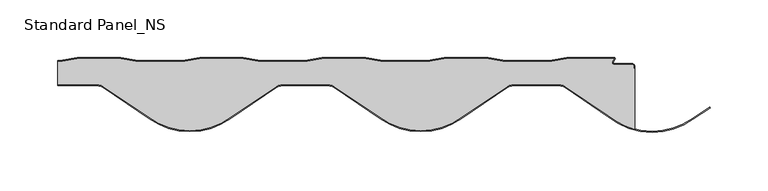
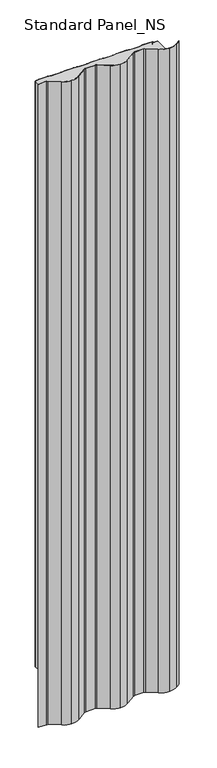
"""IFC4 building model written with IfcOpenShell, lengths in millimetres: proxy geometry, Standard Panel_NS."""

from ifc_helpers import new_model, si_unit, point, frame, frame_2d, origin, origin_with_axes, place, context, project, spatial, polyline, circle_curve, trimmed, segment, composite_curve, outline, extrude, source, transform, mapped, element, save
from ifc_brep_helpers import plane_surface, cylinder_surface, revolved_surface, advanced_brep


def standard_panel_ns_cb210c43(model_context):
    return source(origin(), model_context, "Body", "SolidModel", [
        advanced_brep(
        [(-249.4999998, -3.3, 2527.968552), (-249.4999998, -3.3, 0.0), (-249.4999998, -23.5, 0.0), (-249.4999998, -23.5, 2527.968552), (145.5323327, -23.5, 2527.968552), (184.1321475, -23.5, 2527.968552), (190.3874794, -25.4959769, 2527.968552), (227.7645919, -50.7322407, 2527.968552), (250.0000906, -62.14035, 2527.968552), (250.0000906, -9.4001722, 2527.968552), (249.2000906, -9.4001722, 2527.968552), (249.2000906, -7.4001714, 2527.968552), (247.9000913, -6.1001721, 2527.968552), (232.3140212, -6.1001721, 2527.968552), (230.804032, -3.3204106, 2527.968552), (232.4394087, -0.8, 2527.968552), (191.3313006, -0.8, 2527.968552), (176.3313006, -3.3, 2527.968552), (138.1988805, -3.3, 2527.968552), (123.1988805, -0.8, 2527.968552), (85.3313006, -0.8, 2527.968552), (70.3313006, -3.3, 2527.968552), (32.1988805, -3.3, 2527.968552), (17.1988805, -0.8, 2527.968552), (-20.6686994, -0.8, 2527.968552), (-35.6686994, -3.3, 2527.968552), (-73.8011195, -3.3, 2527.968552), (-88.8011195, -0.8, 2527.968552), (-126.6686994, -0.8, 2527.968552), (-141.6686994, -3.3, 2527.968552), (-179.8011195, -3.3, 2527.968552), (-194.8011195, -0.8, 2527.968552), (-232.6686994, -0.8, 2527.968552), (-247.6686994, -3.3, 2527.968552), (-215.8676529, -23.5, 2527.968552), (-209.608413, -25.4988938, 2527.968552), (-170.0810872, -52.1089905, 2527.968552), (-135.1677599, -63.5, 2527.968552), (-100.2544326, -52.1089905, 2527.968552), (-60.7229992, -25.4959769, 2527.968552), (-54.4676673, -23.5, 2527.968552), (-15.8676529, -23.5, 2527.968552), (-9.608413, -25.4988938, 2527.968552), (29.9189128, -52.1089905, 2527.968552), (64.8322401, -63.5, 2527.968552), (99.7455674, -52.1089905, 2527.968552), (139.2770008, -25.4959769, 2527.968552), (145.5323327, -23.5, 0.0), (139.2770008, -25.4959769, 0.0), (99.7455674, -52.1089905, 0.0), (64.8322401, -63.5, 0.0), (29.9189128, -52.1089905, 0.0), (-9.6084138, -25.4988948, 0.0), (-15.8676529, -23.5, 0.0), (-54.4676673, -23.5, 0.0), (-60.7229992, -25.4959769, 0.0), (-100.2544326, -52.1089905, 0.0), (-135.1677599, -63.5, 0.0), (-170.0810872, -52.1089905, 0.0), (-209.6084138, -25.4988948, 0.0), (-215.8676529, -23.5, 0.0), (-247.6686994, -3.3, 0.0), (-232.6686994, -0.8, 0.0), (-194.8011195, -0.8, 0.0), (-179.8011195, -3.3, 0.0), (-141.6686994, -3.3, 0.0), (-126.6686994, -0.8, 0.0), (-88.8011195, -0.8, 0.0), (-73.8011195, -3.3, 0.0), (-35.6686994, -3.3, 0.0), (-20.6686994, -0.8, 0.0), (17.1988805, -0.8, 0.0), (32.1988805, -3.3, 0.0), (70.3313006, -3.3, 0.0), (85.3313006, -0.8, 0.0), (123.1988805, -0.8, 0.0), (138.1988805, -3.3, 0.0), (176.3313006, -3.3, 0.0), (191.3313006, -0.8, 0.0), (232.4394087, -0.8, 0.0), (230.804032, -3.3204106, 0.0), (232.3140212, -6.1001721, 0.0), (247.9000913, -6.1001721, 0.0), (249.2000906, -7.4001714, 0.0), (249.2000906, -9.4001722, 0.0), (250.0000906, -9.4001722, 0.0), (250.0000906, -62.14035, 0.0), (227.7645919, -50.7322407, 0.0), (190.3874794, -25.4959769, 0.0), (184.1321475, -23.5, 0.0)],
        [
            (0, 1),
            (1, 2),
            (2, 3),
            (3, 0),
            (4, 5),
            (5, 6, circle_curve(frame((184.1321475, -34.3, 2527.968552), z_axis=(0.0, 0.0, -1.0), x_axis=(1.0, 0.0, 0.0)), 10.8)),
            (6, 7, circle_curve(frame((737.5778769, 744.6433117, 2527.968552), z_axis=(0.0, 0.0, 1.0), x_axis=(1.0, 0.0, 0.0)), 944.7390407)),
            (7, 8, circle_curve(frame((265.2973575, -4.9508962, 2527.968552), z_axis=(0.0, 0.0, 1.0), x_axis=(1.0, 0.0, 0.0)), 59.2)),
            (8, 9),
            (9, 10),
            (10, 11),
            (11, 12, circle_curve(frame((247.9000913, -7.4001714, 2527.968552), z_axis=(0.0, 0.0, 1.0), x_axis=(1.0, 0.0, 0.0)), 1.2999993)),
            (12, 13),
            (13, 14, circle_curve(frame((232.3140212, -4.3001721, 2527.968552), z_axis=(0.0, 0.0, -1.0), x_axis=(1.0, 0.0, 0.0)), 1.8)),
            (14, 15),
            (15, 16),
            (16, 17),
            (17, 18),
            (18, 19),
            (19, 20),
            (20, 21),
            (21, 22),
            (22, 23),
            (23, 24),
            (24, 25),
            (25, 26),
            (26, 27),
            (27, 28),
            (28, 29),
            (29, 30),
            (30, 31),
            (31, 32),
            (32, 33),
            (33, 0),
            (3, 34),
            (34, 35, circle_curve(frame((-215.872948, -34.3159692, 2527.968552), z_axis=(0.0, 0.0, -1.0), x_axis=(1.0, 0.0, 0.0)), 10.8159704)),
            (35, 36, circle_curve(frame((337.5778769, 744.6433117, 2527.968552), z_axis=(0.0, 0.0, 1.0), x_axis=(1.0, 0.0, 0.0)), 944.7390407)),
            (36, 37, circle_curve(frame((-135.1677599, -4.3, 2527.968552), z_axis=(0.0, 0.0, 1.0), x_axis=(1.0, 0.0, 0.0)), 59.2)),
            (37, 38, circle_curve(frame((-135.1677599, -4.3, 2527.968552), z_axis=(0.0, 0.0, 1.0), x_axis=(1.0, 0.0, 0.0)), 59.2)),
            (38, 39, circle_curve(frame((-607.9133967, 744.6433117, 2527.968552), z_axis=(0.0, 0.0, 1.0), x_axis=(1.0, 0.0, 0.0)), 944.7390407)),
            (39, 40, circle_curve(frame((-54.4676673, -34.3, 2527.968552), z_axis=(0.0, 0.0, -1.0), x_axis=(1.0, 0.0, 0.0)), 10.8)),
            (40, 41),
            (41, 42, circle_curve(frame((-15.872948, -34.3159692, 2527.968552), z_axis=(0.0, 0.0, -1.0), x_axis=(1.0, 0.0, 0.0)), 10.8159704)),
            (42, 43, circle_curve(frame((537.5778769, 744.6433117, 2527.968552), z_axis=(0.0, 0.0, 1.0), x_axis=(1.0, 0.0, 0.0)), 944.7390407)),
            (43, 44, circle_curve(frame((64.8322401, -4.3, 2527.968552), z_axis=(0.0, 0.0, 1.0), x_axis=(1.0, 0.0, 0.0)), 59.2)),
            (44, 45, circle_curve(frame((64.8322401, -4.3, 2527.968552), z_axis=(0.0, 0.0, 1.0), x_axis=(1.0, 0.0, 0.0)), 59.2)),
            (45, 46, circle_curve(frame((-407.9133967, 744.6433117, 2527.968552), z_axis=(0.0, 0.0, 1.0), x_axis=(1.0, 0.0, 0.0)), 944.7390407)),
            (46, 4, circle_curve(frame((145.5323327, -34.3, 2527.968552), z_axis=(0.0, 0.0, -1.0), x_axis=(1.0, 0.0, 0.0)), 10.8)),
            (47, 48, circle_curve(frame((145.5323327, -34.3, 0.0), z_axis=(0.0, 0.0, 1.0), x_axis=(1.0, 0.0, 0.0)), 10.8)),
            (48, 49, circle_curve(frame((-407.9133967, 744.6433117, 0.0), z_axis=(0.0, 0.0, -1.0), x_axis=(1.0, 0.0, 0.0)), 944.7390407)),
            (49, 50, circle_curve(frame((64.8322401, -4.3, 0.0), z_axis=(0.0, 0.0, -1.0), x_axis=(1.0, 0.0, 0.0)), 59.2)),
            (50, 51, circle_curve(frame((64.8322401, -4.3, 0.0), z_axis=(0.0, 0.0, -1.0), x_axis=(1.0, 0.0, 0.0)), 59.2)),
            (51, 52, circle_curve(frame((537.5778769, 744.6433117, 0.0), z_axis=(0.0, 0.0, -1.0), x_axis=(1.0, 0.0, 0.0)), 944.7390407)),
            (52, 53, circle_curve(frame((-15.872948, -34.3159692, 0.0), z_axis=(0.0, 0.0, 1.0), x_axis=(1.0, 0.0, 0.0)), 10.8159704)),
            (53, 54),
            (54, 55, circle_curve(frame((-54.4676673, -34.3, 0.0), z_axis=(0.0, 0.0, 1.0), x_axis=(1.0, 0.0, 0.0)), 10.8)),
            (55, 56, circle_curve(frame((-607.9133967, 744.6433117, 0.0), z_axis=(0.0, 0.0, -1.0), x_axis=(1.0, 0.0, 0.0)), 944.7390407)),
            (56, 57, circle_curve(frame((-135.1677599, -4.3, 0.0), z_axis=(0.0, 0.0, -1.0), x_axis=(1.0, 0.0, 0.0)), 59.2)),
            (57, 58, circle_curve(frame((-135.1677599, -4.3, 0.0), z_axis=(0.0, 0.0, -1.0), x_axis=(1.0, 0.0, 0.0)), 59.2)),
            (58, 59, circle_curve(frame((337.5778769, 744.6433117, 0.0), z_axis=(0.0, 0.0, -1.0), x_axis=(1.0, 0.0, 0.0)), 944.7390407)),
            (59, 60, circle_curve(frame((-215.872948, -34.3159692, 0.0), z_axis=(0.0, 0.0, 1.0), x_axis=(1.0, 0.0, 0.0)), 10.8159704)),
            (60, 2),
            (1, 61),
            (61, 62),
            (62, 63),
            (63, 64),
            (64, 65),
            (65, 66),
            (66, 67),
            (67, 68),
            (68, 69),
            (69, 70),
            (70, 71),
            (71, 72),
            (72, 73),
            (73, 74),
            (74, 75),
            (75, 76),
            (76, 77),
            (77, 78),
            (78, 79),
            (79, 80),
            (80, 81, circle_curve(frame((232.3140212, -4.3001721, 0.0), z_axis=(0.0, 0.0, 1.0), x_axis=(1.0, 0.0, 0.0)), 1.8)),
            (81, 82),
            (82, 83, circle_curve(frame((247.9000913, -7.4001714, 0.0), z_axis=(0.0, 0.0, -1.0), x_axis=(1.0, 0.0, 0.0)), 1.2999993)),
            (83, 84),
            (84, 85),
            (85, 86),
            (86, 87, circle_curve(frame((265.2973575, -4.9508962, 0.0), z_axis=(0.0, 0.0, -1.0), x_axis=(1.0, 0.0, 0.0)), 59.2)),
            (87, 88, circle_curve(frame((737.5778769, 744.6433117, 0.0), z_axis=(0.0, 0.0, -1.0), x_axis=(1.0, 0.0, 0.0)), 944.7390407)),
            (88, 89, circle_curve(frame((184.1321475, -34.3, 0.0), z_axis=(0.0, 0.0, 1.0), x_axis=(1.0, 0.0, 0.0)), 10.8)),
            (89, 47),
            (46, 48),
            (47, 4),
            (45, 49),
            (44, 50),
            (43, 51),
            (42, 52),
            (41, 53),
            (40, 54),
            (39, 55),
            (38, 56),
            (37, 57),
            (36, 58),
            (35, 59),
            (34, 60),
            (33, 61),
            (32, 62),
            (31, 63),
            (30, 64),
            (29, 65),
            (28, 66),
            (27, 67),
            (26, 68),
            (25, 69),
            (24, 70),
            (23, 71),
            (22, 72),
            (21, 73),
            (20, 74),
            (19, 75),
            (18, 76),
            (17, 77),
            (16, 78),
            (15, 79),
            (14, 80),
            (13, 81),
            (12, 82),
            (11, 83),
            (10, 84),
            (9, 85),
            (8, 86),
            (7, 87),
            (6, 88),
            (5, 89),
        ],
        [
            plane_surface(frame((-249.4999998, 30.0, 2527.968552), z_axis=(-1.0, 0.0, 0.0), x_axis=(0.0, 0.0, -1.0))),
            plane_surface(frame((-249.9999094, 0.0, 2527.968552), z_axis=(0.0, 0.0, 1.0), x_axis=(0.0, 1.0, 0.0))),
            plane_surface(frame((-249.9999094, 0.0, 0.0), z_axis=(0.0, 0.0, -1.0), x_axis=(0.0, 1.0, 0.0))),
            revolved_surface(polyline([(156.33233270000002, -34.3, 0.0), (156.33233270000002, -34.3, 2527.968552)]), (145.5323327, -34.3, 2527.968552), (0.0, 0.0, -1.0)),
            cylinder_surface(frame((-407.9133967, 744.6433117, 2527.968552), z_axis=(0.0, 0.0, 1.0), x_axis=(1.0, 0.0, 0.0)), 944.7390407),
            cylinder_surface(frame((64.8322401, -4.3, 2527.968552), z_axis=(0.0, 0.0, 1.0), x_axis=(1.0, 0.0, 0.0)), 59.2),
            cylinder_surface(frame((537.5778769, 744.6433117, 2527.968552), z_axis=(0.0, 0.0, 1.0), x_axis=(1.0, 0.0, 0.0)), 944.7390407),
            revolved_surface(polyline([(-5.0569776, -34.3159692, 0.0), (-5.0569776, -34.3159692, 2527.968552)]), (-15.872948, -34.3159692, 2527.968552), (0.0, 0.0, -1.0)),
            plane_surface(frame((-15.8676529, -23.5, 2527.968552), z_axis=(0.0, -1.0, 0.0), x_axis=(0.0, 0.0, -1.0))),
            revolved_surface(polyline([(-43.667667300000005, -34.3, 0.0), (-43.667667300000005, -34.3, 2527.968552)]), (-54.4676673, -34.3, 2527.968552), (0.0, 0.0, -1.0)),
            cylinder_surface(frame((-607.9133967, 744.6433117, 2527.968552), z_axis=(0.0, 0.0, 1.0), x_axis=(1.0, 0.0, 0.0)), 944.7390407),
            cylinder_surface(frame((-135.1677599, -4.3, 2527.968552), z_axis=(0.0, 0.0, 1.0), x_axis=(1.0, 0.0, 0.0)), 59.2),
            cylinder_surface(frame((337.5778769, 744.6433117, 2527.968552), z_axis=(0.0, 0.0, 1.0), x_axis=(1.0, 0.0, 0.0)), 944.7390407),
            revolved_surface(polyline([(-205.0569776, -34.3159692, 0.0), (-205.0569776, -34.3159692, 2527.968552)]), (-215.872948, -34.3159692, 2527.968552), (0.0, 0.0, -1.0)),
            plane_surface(frame((-215.8676529, -23.5, 2527.968552), z_axis=(0.0, -1.0, 0.0), x_axis=(0.0, 0.0, -1.0))),
            plane_surface(frame((-285.8011195, -3.3, 2527.968552), z_axis=(0.0, 1.0, 0.0), x_axis=(0.0, 0.0, -1.0))),
            plane_surface(frame((-247.6686994, -3.3, 2527.968552), z_axis=(-0.16439898730535413, 0.9863939238321443, 0.0), x_axis=(0.0, 0.0, -1.0))),
            plane_surface(frame((-232.6686994, -0.8, 2527.968552), z_axis=(0.0, 1.0, 0.0), x_axis=(0.0, 0.0, -1.0))),
            plane_surface(frame((-194.8011195, -0.8, 2527.968552), z_axis=(0.1643989873053605, 0.9863939238321432, 0.0), x_axis=(0.0, 0.0, -1.0))),
            plane_surface(frame((-179.8011195, -3.3, 2527.968552), z_axis=(0.0, 1.0, 0.0), x_axis=(0.0, 0.0, -1.0))),
            plane_surface(frame((-141.6686994, -3.3, 2527.968552), z_axis=(-0.16439898730535482, 0.9863939238321442, 0.0), x_axis=(0.0, 0.0, -1.0))),
            plane_surface(frame((-126.6686994, -0.8, 2527.968552), z_axis=(0.0, 1.0, 0.0), x_axis=(0.0, 0.0, -1.0))),
            plane_surface(frame((-88.8011195, -0.8, 2527.968552), z_axis=(0.1643989873053612, 0.9863939238321431, 0.0), x_axis=(0.0, 0.0, -1.0))),
            plane_surface(frame((-73.8011195, -3.3, 2527.968552), z_axis=(0.0, 1.0, 0.0), x_axis=(0.0, 0.0, -1.0))),
            plane_surface(frame((-35.6686994, -3.3, 2527.968552), z_axis=(-0.16439898730535482, 0.9863939238321442, 0.0), x_axis=(0.0, 0.0, -1.0))),
            plane_surface(frame((-20.6686994, -0.8, 2527.968552), z_axis=(0.0, 1.0, 0.0), x_axis=(0.0, 0.0, -1.0))),
            plane_surface(frame((17.1988805, -0.8, 2527.968552), z_axis=(0.1643989873053612, 0.9863939238321431, 0.0), x_axis=(0.0, 0.0, -1.0))),
            plane_surface(frame((32.1988805, -3.3, 2527.968552), z_axis=(0.0, 1.0, 0.0), x_axis=(0.0, 0.0, -1.0))),
            plane_surface(frame((70.3313006, -3.3, 2527.968552), z_axis=(-0.1643989873053548, 0.9863939238321442, 0.0), x_axis=(0.0, 0.0, -1.0))),
            plane_surface(frame((85.3313006, -0.8, 2527.968552), z_axis=(0.0, 1.0, 0.0), x_axis=(0.0, 0.0, -1.0))),
            plane_surface(frame((123.1988805, -0.8, 2527.968552), z_axis=(0.16439898730536118, 0.9863939238321431, 0.0), x_axis=(0.0, 0.0, -1.0))),
            plane_surface(frame((138.1988805, -3.3, 2527.968552), z_axis=(0.0, 1.0, 0.0), x_axis=(0.0, 0.0, -1.0))),
            plane_surface(frame((176.3313006, -3.3, 2527.968552), z_axis=(-0.1643989873053548, 0.9863939238321442, 0.0), x_axis=(0.0, 0.0, -1.0))),
            plane_surface(frame((191.3313006, -0.8, 2527.968552), z_axis=(0.0, 1.0, 0.0), x_axis=(0.0, 0.0, -1.0))),
            plane_surface(frame((232.4394087, -0.8, 2527.968552), z_axis=(0.838882890058634, -0.5443119480287694, 0.0), x_axis=(0.0, 0.0, -1.0))),
            revolved_surface(polyline([(234.11402120000002, -4.3001721, 0.0), (234.11402120000002, -4.3001721, 2527.968552)]), (232.3140212, -4.3001721, 2527.968552), (0.0, 0.0, -1.0)),
            plane_surface(frame((232.3140212, -6.1001721, 2527.968552), z_axis=(0.0, 1.0, 0.0), x_axis=(0.0, 0.0, -1.0))),
            cylinder_surface(frame((247.9000913, -7.4001714, 2527.968552), z_axis=(0.0, 0.0, 1.0), x_axis=(1.0, 0.0, 0.0)), 1.2999993),
            plane_surface(frame((249.2000906, -7.4001714, 2527.968552), z_axis=(1.0, 0.0, 0.0), x_axis=(0.0, 0.0, -1.0))),
            plane_surface(frame((249.2000906, -9.4001722, 2527.968552), z_axis=(0.0, 1.0, 0.0), x_axis=(0.0, 0.0, -1.0))),
            plane_surface(frame((250.0000906, -9.4001722, 2527.968552), z_axis=(1.0, 0.0, 0.0), x_axis=(0.0, 0.0, -1.0))),
            cylinder_surface(frame((265.2973575, -4.9508962, 2527.968552), z_axis=(0.0, 0.0, 1.0), x_axis=(1.0, 0.0, 0.0)), 59.2),
            cylinder_surface(frame((737.5778769, 744.6433117, 2527.968552), z_axis=(0.0, 0.0, 1.0), x_axis=(1.0, 0.0, 0.0)), 944.7390407),
            revolved_surface(polyline([(194.9321475, -34.3, 0.0), (194.9321475, -34.3, 2527.968552)]), (184.1321475, -34.3, 2527.968552), (0.0, 0.0, -1.0)),
            plane_surface(frame((184.1321475, -23.5, 2527.968552), z_axis=(0.0, -1.0, 0.0), x_axis=(0.0, 0.0, -1.0))),
        ],
        [
            (0, [[1, 2, 3, 4]]),
            (1, [[5, 6, 7, 8, 9, 10, 11, 12, 13, 14, 15, 16, 17, 18, 19, 20, 21, 22, 23, 24, 25, 26, 27, 28, 29, 30, 31, 32, 33, 34, -4, 35, 36, 37, 38, 39, 40, 41, 42, 43, 44, 45, 46, 47, 48]]),
            (2, [[49, 50, 51, 52, 53, 54, 55, 56, 57, 58, 59, 60, 61, 62, -2, 63, 64, 65, 66, 67, 68, 69, 70, 71, 72, 73, 74, 75, 76, 77, 78, 79, 80, 81, 82, 83, 84, 85, 86, 87, 88, 89, 90, 91, 92]]),
            (3, [[93, -49, 94, -48]]),
            (4, [[95, -50, -93, -47]]),
            (5, [[96, -51, -95, -46]]),
            (5, [[97, -52, -96, -45]]),
            (6, [[98, -53, -97, -44]]),
            (7, [[99, -54, -98, -43]]),
            (8, [[100, -55, -99, -42]]),
            (9, [[101, -56, -100, -41]]),
            (10, [[102, -57, -101, -40]]),
            (11, [[103, -58, -102, -39]]),
            (11, [[104, -59, -103, -38]]),
            (12, [[105, -60, -104, -37]]),
            (13, [[106, -61, -105, -36]]),
            (14, [[-35, -3, -62, -106]]),
            (15, [[-63, -1, -34, 107]]),
            (16, [[108, -64, -107, -33]]),
            (17, [[109, -65, -108, -32]]),
            (18, [[110, -66, -109, -31]]),
            (19, [[111, -67, -110, -30]]),
            (20, [[112, -68, -111, -29]]),
            (21, [[113, -69, -112, -28]]),
            (22, [[114, -70, -113, -27]]),
            (23, [[115, -71, -114, -26]]),
            (24, [[116, -72, -115, -25]]),
            (25, [[117, -73, -116, -24]]),
            (26, [[118, -74, -117, -23]]),
            (27, [[119, -75, -118, -22]]),
            (28, [[120, -76, -119, -21]]),
            (29, [[121, -77, -120, -20]]),
            (30, [[122, -78, -121, -19]]),
            (31, [[123, -79, -122, -18]]),
            (32, [[124, -80, -123, -17]]),
            (33, [[125, -81, -124, -16]]),
            (34, [[126, -82, -125, -15]]),
            (35, [[127, -83, -126, -14]]),
            (36, [[128, -84, -127, -13]]),
            (37, [[129, -85, -128, -12]]),
            (38, [[130, -86, -129, -11]]),
            (39, [[131, -87, -130, -10]]),
            (40, [[132, -88, -131, -9]]),
            (41, [[133, -89, -132, -8]]),
            (42, [[134, -90, -133, -7]]),
            (43, [[135, -91, -134, -6]]),
            (44, [[-94, -92, -135, -5]]),
        ],
    ),
        extrude(outline(composite_curve([segment(polyline([(250.0000906, -7.4001714), (250.0000906, -9.4001722), (249.2000906, -9.4001722), (249.2000906, -7.4001714)]), True, "CONTINUOUS"), segment(trimmed(circle_curve(frame_2d((247.9000913, -7.4001714)), 1.2999993), [point((249.2000906, -7.4001714))], [point((247.9000913, -6.1001721))], True, "CARTESIAN"), True, "CONTINUOUS"), segment(polyline([(247.9000913, -6.1001721), (232.3140212, -6.1001721)]), True, "CONTINUOUS"), segment(trimmed(circle_curve(frame_2d((232.3140212, -4.3001721)), 1.8), [point((232.3140212, -6.1001721))], [point((230.804032, -3.3204106))], False, "CARTESIAN"), True, "CONTINUOUS"), segment(polyline([(230.804032, -3.3204106), (232.4394087, -0.8), (191.3313006, -0.8), (176.3313006, -3.3), (138.1988805, -3.3), (123.1988805, -0.8), (85.3313006, -0.8), (70.3313006, -3.3), (32.1988805, -3.3), (17.1988805, -0.8), (-20.6686994, -0.8), (-35.6686994, -3.3), (-73.8011195, -3.3), (-88.8011195, -0.8), (-126.6686994, -0.8), (-141.6686994, -3.3), (-179.8011195, -3.3), (-194.8011195, -0.8), (-232.6686994, -0.8), (-247.6686994, -3.3), (-249.4999998, -3.3), (-249.4999998, -2.5), (-247.7349094, -2.5), (-232.7349094, 0.0), (-194.7349094, 0.0), (-179.7349094, -2.5), (-141.7349094, -2.5), (-126.7349094, 0.0), (-88.7349094, 0.0), (-73.7349094, -2.5), (-35.7349094, -2.5), (-20.7349094, 0.0), (17.2650906, 0.0), (32.2650906, -2.5), (70.2650906, -2.5), (85.2650906, 0.0), (123.2650906, 0.0), (138.2650906, -2.5), (176.2650906, -2.5), (191.2650906, 0.0), (232.0712258, 0.0)]), True, "CONTINUOUS"), segment(trimmed(circle_curve(frame_2d((232.0712258, -1.0)), 1.0), [point((232.0712258, 0.0))], [point((232.9101087, -1.5443119))], False, "CARTESIAN"), True, "CONTINUOUS"), segment(polyline([(232.9101087, -1.5443119), (231.4751383, -3.7558601)]), True, "CONTINUOUS"), segment(trimmed(circle_curve(frame_2d((232.3140212, -4.3001721)), 1.0), [point((231.4751383, -3.7558601))], [point((232.3140212, -5.3001721))], True, "CARTESIAN"), True, "CONTINUOUS"), segment(polyline([(232.3140212, -5.3001721), (247.9000913, -5.3001721)]), True, "CONTINUOUS"), segment(trimmed(circle_curve(frame_2d((247.9000913, -7.4001714)), 2.0999993), [point((247.9000913, -5.3001721))], [point((250.0000906, -7.4001714))], False, "CARTESIAN"), True, "CONTINUOUS")], self_intersect=False)), origin_with_axes(), (0.0, 0.0, 1.0), 2527.968552),
        advanced_brep(
        [(-215.8676529, -23.5, 2527.968552), (-249.4999998, -23.5, 2527.968552), (-249.4999998, -24.3, 2527.968552), (-215.8678525, -24.3, 2527.968552), (-210.0717675, -26.1510461, 2527.968552), (-170.5323161, -52.7700749, 2527.968552), (-135.1677599, -64.3, 2527.968552), (-99.8032037, -52.7700749, 2527.968552), (-60.2596413, -26.1481268, 2527.968552), (-54.4676673, -24.3, 2527.968552), (-15.8678525, -24.3, 2527.968552), (-10.0717675, -26.1510461, 2527.968552), (29.4676839, -52.7700749, 2527.968552), (64.8322401, -64.3, 2527.968552), (100.1967963, -52.7700749, 2527.968552), (139.7403587, -26.1481268, 2527.968552), (145.5323327, -24.3, 2527.968552), (184.1321475, -24.3, 2527.968552), (189.9241215, -26.1481268, 2527.968552), (227.2936611, -51.3806179, 2527.968552), (265.2973575, -64.9508962, 2527.968552), (300.6478433, -53.431234, 2527.968552), (315.5384206, -43.7447092, 2527.968552), (315.0958708, -43.0782637, 2527.968552), (300.1967243, -52.7700785, 2527.968552), (265.2973575, -64.1508962, 2527.968552), (227.7645919, -50.7322407, 2527.968552), (190.3874794, -25.4959769, 2527.968552), (184.1321475, -23.5, 2527.968552), (145.5323327, -23.5, 2527.968552), (139.2770008, -25.4959769, 2527.968552), (99.7455674, -52.1089905, 2527.968552), (64.8322401, -63.5, 2527.968552), (29.9189128, -52.1089905, 2527.968552), (-9.6084138, -25.4988948, 2527.968552), (-15.8676529, -23.5, 2527.968552), (-54.4676673, -23.5, 2527.968552), (-60.7229992, -25.4959769, 2527.968552), (-100.2544326, -52.1089905, 2527.968552), (-135.1677599, -63.5, 2527.968552), (-170.0810872, -52.1089905, 2527.968552), (-209.6084138, -25.4988948, 2527.968552), (-215.8678525, -24.3, -250.0), (-249.4999998, -24.3, -250.0), (-249.4999998, -23.5, -250.0), (-215.8676529, -23.5, -250.0), (-209.608413, -25.4988938, -250.0), (-170.0810872, -52.1089905, -250.0), (-135.1677599, -63.5, -250.0), (-100.2544326, -52.1089905, -250.0), (-60.7229992, -25.4959769, -250.0), (-54.4676673, -23.5, -250.0), (-15.8676529, -23.5, -250.0), (-9.608413, -25.4988938, -250.0), (29.9189128, -52.1089905, -250.0), (64.8322401, -63.5, -250.0), (99.7455674, -52.1089905, -250.0), (139.2770008, -25.4959769, -250.0), (145.5323327, -23.5, -250.0), (184.1321475, -23.5, -250.0), (190.3874794, -25.4959769, -250.0), (227.7645919, -50.7322407, -250.0), (265.2973575, -64.1508962, -250.0), (300.1967243, -52.7700785, -250.0), (315.0958708, -43.0782637, -250.0), (315.5384206, -43.7447092, -250.0), (300.6478433, -53.431234, -250.0), (265.2973575, -64.9508962, -250.0), (227.2936611, -51.3806179, -250.0), (189.9241215, -26.1481268, -250.0), (184.1321475, -24.3, -250.0), (145.5323327, -24.3, -250.0), (139.7403587, -26.1481268, -250.0), (100.1967963, -52.7700749, -250.0), (64.8322401, -64.3, -250.0), (29.4676839, -52.7700749, -250.0), (-10.0717682, -26.1510471, -250.0), (-15.8678525, -24.3, -250.0), (-54.4676673, -24.3, -250.0), (-60.2596413, -26.1481268, -250.0), (-99.8032037, -52.7700749, -250.0), (-135.1677599, -64.3, -250.0), (-170.5323161, -52.7700749, -250.0), (-210.0717682, -26.1510471, -250.0)],
        [
            (0, 1),
            (1, 2),
            (2, 3),
            (3, 4, circle_curve(frame((-215.872948, -34.3159692, 2527.968552), z_axis=(0.0, 0.0, -1.0), x_axis=(1.0, 0.0, 0.0)), 10.0159704)),
            (4, 5, circle_curve(frame((337.5778769, 744.6433117, 2527.968552), z_axis=(0.0, 0.0, 1.0), x_axis=(1.0, 0.0, 0.0)), 945.5390407)),
            (5, 6, circle_curve(frame((-135.1677599, -4.3, 2527.968552), z_axis=(0.0, 0.0, 1.0), x_axis=(1.0, 0.0, 0.0)), 60.0)),
            (6, 7, circle_curve(frame((-135.1677599, -4.3, 2527.968552), z_axis=(0.0, 0.0, 1.0), x_axis=(1.0, 0.0, 0.0)), 60.0)),
            (7, 8, circle_curve(frame((-607.9133967, 744.6433117, 2527.968552), z_axis=(0.0, 0.0, 1.0), x_axis=(1.0, 0.0, 0.0)), 945.5390407)),
            (8, 9, circle_curve(frame((-54.4676673, -34.3, 2527.968552), z_axis=(0.0, 0.0, -1.0), x_axis=(1.0, 0.0, 0.0)), 10.0)),
            (9, 10),
            (10, 11, circle_curve(frame((-15.872948, -34.3159692, 2527.968552), z_axis=(0.0, 0.0, -1.0), x_axis=(1.0, 0.0, 0.0)), 10.0159704)),
            (11, 12, circle_curve(frame((537.5778769, 744.6433117, 2527.968552), z_axis=(0.0, 0.0, 1.0), x_axis=(1.0, 0.0, 0.0)), 945.5390407)),
            (12, 13, circle_curve(frame((64.8322401, -4.3, 2527.968552), z_axis=(0.0, 0.0, 1.0), x_axis=(1.0, 0.0, 0.0)), 60.0)),
            (13, 14, circle_curve(frame((64.8322401, -4.3, 2527.968552), z_axis=(0.0, 0.0, 1.0), x_axis=(1.0, 0.0, 0.0)), 60.0)),
            (14, 15, circle_curve(frame((-407.9133967, 744.6433117, 2527.968552), z_axis=(0.0, 0.0, 1.0), x_axis=(1.0, 0.0, 0.0)), 945.5390407)),
            (15, 16, circle_curve(frame((145.5323327, -34.3, 2527.968552), z_axis=(0.0, 0.0, -1.0), x_axis=(1.0, 0.0, 0.0)), 10.0)),
            (16, 17),
            (17, 18, circle_curve(frame((184.1321475, -34.3, 2527.968552), z_axis=(0.0, 0.0, -1.0), x_axis=(1.0, 0.0, 0.0)), 10.0)),
            (18, 19, circle_curve(frame((737.5778769, 744.6433117, 2527.968552), z_axis=(0.0, 0.0, 1.0), x_axis=(1.0, 0.0, 0.0)), 945.5390407)),
            (19, 20, circle_curve(frame((265.2973575, -4.9508962, 2527.968552), z_axis=(0.0, 0.0, 1.0), x_axis=(1.0, 0.0, 0.0)), 60.0)),
            (20, 21, circle_curve(frame((265.2973575, -4.9508962, 2527.968552), z_axis=(0.0, 0.0, 1.0), x_axis=(1.0, 0.0, 0.0)), 60.0)),
            (21, 22, circle_curve(frame((-204.4492429, 739.3160553, 2527.968552), z_axis=(0.0, 0.0, 1.0), x_axis=(1.0, 0.0, 0.0)), 939.9847505)),
            (22, 23),
            (23, 24, circle_curve(frame((-204.4492429, 739.3160553, 2527.968552), z_axis=(0.0, 0.0, -1.0), x_axis=(1.0, 0.0, 0.0)), 939.1847505)),
            (24, 25, circle_curve(frame((265.2973575, -4.9508962, 2527.968552), z_axis=(0.0, 0.0, -1.0), x_axis=(1.0, 0.0, 0.0)), 59.2)),
            (25, 26, circle_curve(frame((265.2973575, -4.9508962, 2527.968552), z_axis=(0.0, 0.0, -1.0), x_axis=(1.0, 0.0, 0.0)), 59.2)),
            (26, 27, circle_curve(frame((737.5778769, 744.6433117, 2527.968552), z_axis=(0.0, 0.0, -1.0), x_axis=(1.0, 0.0, 0.0)), 944.7390407)),
            (27, 28, circle_curve(frame((184.1321475, -34.3, 2527.968552), z_axis=(0.0, 0.0, 1.0), x_axis=(1.0, 0.0, 0.0)), 10.8)),
            (28, 29),
            (29, 30, circle_curve(frame((145.5323327, -34.3, 2527.968552), z_axis=(0.0, 0.0, 1.0), x_axis=(1.0, 0.0, 0.0)), 10.8)),
            (30, 31, circle_curve(frame((-407.9133967, 744.6433117, 2527.968552), z_axis=(0.0, 0.0, -1.0), x_axis=(1.0, 0.0, 0.0)), 944.7390407)),
            (31, 32, circle_curve(frame((64.8322401, -4.3, 2527.968552), z_axis=(0.0, 0.0, -1.0), x_axis=(1.0, 0.0, 0.0)), 59.2)),
            (32, 33, circle_curve(frame((64.8322401, -4.3, 2527.968552), z_axis=(0.0, 0.0, -1.0), x_axis=(1.0, 0.0, 0.0)), 59.2)),
            (33, 34, circle_curve(frame((537.5778769, 744.6433117, 2527.968552), z_axis=(0.0, 0.0, -1.0), x_axis=(1.0, 0.0, 0.0)), 944.7390407)),
            (34, 35, circle_curve(frame((-15.872948, -34.3159692, 2527.968552), z_axis=(0.0, 0.0, 1.0), x_axis=(1.0, 0.0, 0.0)), 10.8159704)),
            (35, 36),
            (36, 37, circle_curve(frame((-54.4676673, -34.3, 2527.968552), z_axis=(0.0, 0.0, 1.0), x_axis=(1.0, 0.0, 0.0)), 10.8)),
            (37, 38, circle_curve(frame((-607.9133967, 744.6433117, 2527.968552), z_axis=(0.0, 0.0, -1.0), x_axis=(1.0, 0.0, 0.0)), 944.7390407)),
            (38, 39, circle_curve(frame((-135.1677599, -4.3, 2527.968552), z_axis=(0.0, 0.0, -1.0), x_axis=(1.0, 0.0, 0.0)), 59.2)),
            (39, 40, circle_curve(frame((-135.1677599, -4.3, 2527.968552), z_axis=(0.0, 0.0, -1.0), x_axis=(1.0, 0.0, 0.0)), 59.2)),
            (40, 41, circle_curve(frame((337.5778769, 744.6433117, 2527.968552), z_axis=(0.0, 0.0, -1.0), x_axis=(1.0, 0.0, 0.0)), 944.7390407)),
            (41, 0, circle_curve(frame((-215.872948, -34.3159692, 2527.968552), z_axis=(0.0, 0.0, 1.0), x_axis=(1.0, 0.0, 0.0)), 10.8159704)),
            (42, 43),
            (43, 44),
            (44, 45),
            (45, 46, circle_curve(frame((-215.872948, -34.3159692, -250.0), z_axis=(0.0, 0.0, -1.0), x_axis=(1.0, 0.0, 0.0)), 10.8159704)),
            (46, 47, circle_curve(frame((337.5778769, 744.6433117, -250.0), z_axis=(0.0, 0.0, 1.0), x_axis=(1.0, 0.0, 0.0)), 944.7390407)),
            (47, 48, circle_curve(frame((-135.1677599, -4.3, -250.0), z_axis=(0.0, 0.0, 1.0), x_axis=(1.0, 0.0, 0.0)), 59.2)),
            (48, 49, circle_curve(frame((-135.1677599, -4.3, -250.0), z_axis=(0.0, 0.0, 1.0), x_axis=(1.0, 0.0, 0.0)), 59.2)),
            (49, 50, circle_curve(frame((-607.9133967, 744.6433117, -250.0), z_axis=(0.0, 0.0, 1.0), x_axis=(1.0, 0.0, 0.0)), 944.7390407)),
            (50, 51, circle_curve(frame((-54.4676673, -34.3, -250.0), z_axis=(0.0, 0.0, -1.0), x_axis=(1.0, 0.0, 0.0)), 10.8)),
            (51, 52),
            (52, 53, circle_curve(frame((-15.872948, -34.3159692, -250.0), z_axis=(0.0, 0.0, -1.0), x_axis=(1.0, 0.0, 0.0)), 10.8159704)),
            (53, 54, circle_curve(frame((537.5778769, 744.6433117, -250.0), z_axis=(0.0, 0.0, 1.0), x_axis=(1.0, 0.0, 0.0)), 944.7390407)),
            (54, 55, circle_curve(frame((64.8322401, -4.3, -250.0), z_axis=(0.0, 0.0, 1.0), x_axis=(1.0, 0.0, 0.0)), 59.2)),
            (55, 56, circle_curve(frame((64.8322401, -4.3, -250.0), z_axis=(0.0, 0.0, 1.0), x_axis=(1.0, 0.0, 0.0)), 59.2)),
            (56, 57, circle_curve(frame((-407.9133967, 744.6433117, -250.0), z_axis=(0.0, 0.0, 1.0), x_axis=(1.0, 0.0, 0.0)), 944.7390407)),
            (57, 58, circle_curve(frame((145.5323327, -34.3, -250.0), z_axis=(0.0, 0.0, -1.0), x_axis=(1.0, 0.0, 0.0)), 10.8)),
            (58, 59),
            (59, 60, circle_curve(frame((184.1321475, -34.3, -250.0), z_axis=(0.0, 0.0, -1.0), x_axis=(1.0, 0.0, 0.0)), 10.8)),
            (60, 61, circle_curve(frame((737.5778769, 744.6433117, -250.0), z_axis=(0.0, 0.0, 1.0), x_axis=(1.0, 0.0, 0.0)), 944.7390407)),
            (61, 62, circle_curve(frame((265.2973575, -4.9508962, -250.0), z_axis=(0.0, 0.0, 1.0), x_axis=(1.0, 0.0, 0.0)), 59.2)),
            (62, 63, circle_curve(frame((265.2973575, -4.9508962, -250.0), z_axis=(0.0, 0.0, 1.0), x_axis=(1.0, 0.0, 0.0)), 59.2)),
            (63, 64, circle_curve(frame((-204.4492429, 739.3160553, -250.0), z_axis=(0.0, 0.0, 1.0), x_axis=(1.0, 0.0, 0.0)), 939.1847505)),
            (64, 65),
            (65, 66, circle_curve(frame((-204.4492429, 739.3160553, -250.0), z_axis=(0.0, 0.0, -1.0), x_axis=(1.0, 0.0, 0.0)), 939.9847505)),
            (66, 67, circle_curve(frame((265.2973575, -4.9508962, -250.0), z_axis=(0.0, 0.0, -1.0), x_axis=(1.0, 0.0, 0.0)), 60.0)),
            (67, 68, circle_curve(frame((265.2973575, -4.9508962, -250.0), z_axis=(0.0, 0.0, -1.0), x_axis=(1.0, 0.0, 0.0)), 60.0)),
            (68, 69, circle_curve(frame((737.5778769, 744.6433117, -250.0), z_axis=(0.0, 0.0, -1.0), x_axis=(1.0, 0.0, 0.0)), 945.5390407)),
            (69, 70, circle_curve(frame((184.1321475, -34.3, -250.0), z_axis=(0.0, 0.0, 1.0), x_axis=(1.0, 0.0, 0.0)), 10.0)),
            (70, 71),
            (71, 72, circle_curve(frame((145.5323327, -34.3, -250.0), z_axis=(0.0, 0.0, 1.0), x_axis=(1.0, 0.0, 0.0)), 10.0)),
            (72, 73, circle_curve(frame((-407.9133967, 744.6433117, -250.0), z_axis=(0.0, 0.0, -1.0), x_axis=(1.0, 0.0, 0.0)), 945.5390407)),
            (73, 74, circle_curve(frame((64.8322401, -4.3, -250.0), z_axis=(0.0, 0.0, -1.0), x_axis=(1.0, 0.0, 0.0)), 60.0)),
            (74, 75, circle_curve(frame((64.8322401, -4.3, -250.0), z_axis=(0.0, 0.0, -1.0), x_axis=(1.0, 0.0, 0.0)), 60.0)),
            (75, 76, circle_curve(frame((537.5778769, 744.6433117, -250.0), z_axis=(0.0, 0.0, -1.0), x_axis=(1.0, 0.0, 0.0)), 945.5390407)),
            (76, 77, circle_curve(frame((-15.872948, -34.3159692, -250.0), z_axis=(0.0, 0.0, 1.0), x_axis=(1.0, 0.0, 0.0)), 10.0159704)),
            (77, 78),
            (78, 79, circle_curve(frame((-54.4676673, -34.3, -250.0), z_axis=(0.0, 0.0, 1.0), x_axis=(1.0, 0.0, 0.0)), 10.0)),
            (79, 80, circle_curve(frame((-607.9133967, 744.6433117, -250.0), z_axis=(0.0, 0.0, -1.0), x_axis=(1.0, 0.0, 0.0)), 945.5390407)),
            (80, 81, circle_curve(frame((-135.1677599, -4.3, -250.0), z_axis=(0.0, 0.0, -1.0), x_axis=(1.0, 0.0, 0.0)), 60.0)),
            (81, 82, circle_curve(frame((-135.1677599, -4.3, -250.0), z_axis=(0.0, 0.0, -1.0), x_axis=(1.0, 0.0, 0.0)), 60.0)),
            (82, 83, circle_curve(frame((337.5778769, 744.6433117, -250.0), z_axis=(0.0, 0.0, -1.0), x_axis=(1.0, 0.0, 0.0)), 945.5390407)),
            (83, 42, circle_curve(frame((-215.872948, -34.3159692, -250.0), z_axis=(0.0, 0.0, 1.0), x_axis=(1.0, 0.0, 0.0)), 10.0159704)),
            (1, 44),
            (43, 2),
            (0, 45),
            (41, 46),
            (40, 47),
            (39, 48),
            (38, 49),
            (37, 50),
            (36, 51),
            (35, 52),
            (34, 53),
            (33, 54),
            (32, 55),
            (31, 56),
            (30, 57),
            (29, 58),
            (28, 59),
            (27, 60),
            (26, 61),
            (25, 62),
            (24, 63),
            (23, 64),
            (22, 65),
            (21, 66),
            (20, 67),
            (19, 68),
            (18, 69),
            (17, 70),
            (16, 71),
            (15, 72),
            (14, 73),
            (13, 74),
            (12, 75),
            (11, 76),
            (10, 77),
            (9, 78),
            (8, 79),
            (7, 80),
            (6, 81),
            (5, 82),
            (4, 83),
            (3, 42),
        ],
        [
            plane_surface(frame((-249.9999094, -24.3, 2527.968552), z_axis=(0.0, 0.0, 1.0), x_axis=(0.0, -1.0, 0.0))),
            plane_surface(frame((-249.9999094, -24.3, -250.0), z_axis=(0.0, 0.0, -1.0), x_axis=(0.0, -1.0, 0.0))),
            plane_surface(frame((-249.4999998, 30.0, 2527.968552), z_axis=(-1.0, 0.0, 0.0), x_axis=(0.0, 0.0, -1.0))),
            plane_surface(frame((-254.4676673, -23.5, 2527.968552), z_axis=(0.0, 1.0, 0.0), x_axis=(0.0, 0.0, -1.0))),
            cylinder_surface(frame((-215.872948, -34.3159692, 2527.968552), z_axis=(0.0, 0.0, 1.0), x_axis=(1.0, 0.0, 0.0)), 10.8159704),
            revolved_surface(polyline([(1282.3169176000001, 744.6433117, -250.0), (1282.3169176000001, 744.6433117, 2527.968552)]), (337.5778769, 744.6433117, 2527.968552), (0.0, 0.0, -1.0)),
            revolved_surface(polyline([(-75.96775989999999, -4.3, -250.0), (-75.96775989999999, -4.3, 2527.968552)]), (-135.1677599, -4.3, 2527.968552), (0.0, 0.0, -1.0)),
            revolved_surface(polyline([(336.825644, 744.6433117, -250.0), (336.825644, 744.6433117, 2527.968552)]), (-607.9133967, 744.6433117, 2527.968552), (0.0, 0.0, -1.0)),
            cylinder_surface(frame((-54.4676673, -34.3, 2527.968552), z_axis=(0.0, 0.0, 1.0), x_axis=(1.0, 0.0, 0.0)), 10.8),
            plane_surface(frame((-54.4676673, -23.5, 2527.968552), z_axis=(0.0, 1.0, 0.0), x_axis=(0.0, 0.0, -1.0))),
            cylinder_surface(frame((-15.872948, -34.3159692, 2527.968552), z_axis=(0.0, 0.0, 1.0), x_axis=(1.0, 0.0, 0.0)), 10.8159704),
            revolved_surface(polyline([(1482.3169176000001, 744.6433117, -250.0), (1482.3169176000001, 744.6433117, 2527.968552)]), (537.5778769, 744.6433117, 2527.968552), (0.0, 0.0, -1.0)),
            revolved_surface(polyline([(124.03224010000001, -4.3, -250.0), (124.03224010000001, -4.3, 2527.968552)]), (64.8322401, -4.3, 2527.968552), (0.0, 0.0, -1.0)),
            revolved_surface(polyline([(536.825644, 744.6433117, -250.0), (536.825644, 744.6433117, 2527.968552)]), (-407.9133967, 744.6433117, 2527.968552), (0.0, 0.0, -1.0)),
            cylinder_surface(frame((145.5323327, -34.3, 2527.968552), z_axis=(0.0, 0.0, 1.0), x_axis=(1.0, 0.0, 0.0)), 10.8),
            plane_surface(frame((145.5323327, -23.5, 2527.968552), z_axis=(0.0, 1.0, 0.0), x_axis=(0.0, 0.0, -1.0))),
            cylinder_surface(frame((184.1321475, -34.3, 2527.968552), z_axis=(0.0, 0.0, 1.0), x_axis=(1.0, 0.0, 0.0)), 10.8),
            revolved_surface(polyline([(1682.3169176000001, 744.6433117, -250.0), (1682.3169176000001, 744.6433117, 2527.968552)]), (737.5778769, 744.6433117, 2527.968552), (0.0, 0.0, -1.0)),
            revolved_surface(polyline([(324.49735749999996, -4.9508962, -250.0), (324.49735749999996, -4.9508962, 2527.968552)]), (265.2973575, -4.9508962, 2527.968552), (0.0, 0.0, -1.0)),
            revolved_surface(polyline([(734.7355075999999, 739.3160553, -250.0), (734.7355075999999, 739.3160553, 2527.968552)]), (-204.4492429, 739.3160553, 2527.968552), (0.0, 0.0, -1.0)),
            plane_surface(frame((315.0958708, -43.0782637, 2527.968552), z_axis=(0.8330568810742917, 0.5531873397817176, 0.0), x_axis=(0.0, 0.0, -1.0))),
            cylinder_surface(frame((-204.4492429, 739.3160553, 2527.968552), z_axis=(0.0, 0.0, 1.0), x_axis=(1.0, 0.0, 0.0)), 939.9847505),
            cylinder_surface(frame((265.2973575, -4.9508962, 2527.968552), z_axis=(0.0, 0.0, 1.0), x_axis=(1.0, 0.0, 0.0)), 60.0),
            cylinder_surface(frame((737.5778769, 744.6433117, 2527.968552), z_axis=(0.0, 0.0, 1.0), x_axis=(1.0, 0.0, 0.0)), 945.5390407),
            revolved_surface(polyline([(194.1321475, -34.3, -250.0), (194.1321475, -34.3, 2527.968552)]), (184.1321475, -34.3, 2527.968552), (0.0, 0.0, -1.0)),
            plane_surface(frame((184.1321475, -24.3, 2527.968552), z_axis=(0.0, -1.0, 0.0), x_axis=(0.0, 0.0, -1.0))),
            revolved_surface(polyline([(155.5323327, -34.3, -250.0), (155.5323327, -34.3, 2527.968552)]), (145.5323327, -34.3, 2527.968552), (0.0, 0.0, -1.0)),
            cylinder_surface(frame((-407.9133967, 744.6433117, 2527.968552), z_axis=(0.0, 0.0, 1.0), x_axis=(1.0, 0.0, 0.0)), 945.5390407),
            cylinder_surface(frame((64.8322401, -4.3, 2527.968552), z_axis=(0.0, 0.0, 1.0), x_axis=(1.0, 0.0, 0.0)), 60.0),
            cylinder_surface(frame((537.5778769, 744.6433117, 2527.968552), z_axis=(0.0, 0.0, 1.0), x_axis=(1.0, 0.0, 0.0)), 945.5390407),
            revolved_surface(polyline([(-5.856977599999999, -34.3159692, -250.0), (-5.856977599999999, -34.3159692, 2527.968552)]), (-15.872948, -34.3159692, 2527.968552), (0.0, 0.0, -1.0)),
            plane_surface(frame((-15.8678525, -24.3, 2527.968552), z_axis=(0.0, -1.0, 0.0), x_axis=(0.0, 0.0, -1.0))),
            revolved_surface(polyline([(-44.4676673, -34.3, -250.0), (-44.4676673, -34.3, 2527.968552)]), (-54.4676673, -34.3, 2527.968552), (0.0, 0.0, -1.0)),
            cylinder_surface(frame((-607.9133967, 744.6433117, 2527.968552), z_axis=(0.0, 0.0, 1.0), x_axis=(1.0, 0.0, 0.0)), 945.5390407),
            cylinder_surface(frame((-135.1677599, -4.3, 2527.968552), z_axis=(0.0, 0.0, 1.0), x_axis=(1.0, 0.0, 0.0)), 60.0),
            cylinder_surface(frame((337.5778769, 744.6433117, 2527.968552), z_axis=(0.0, 0.0, 1.0), x_axis=(1.0, 0.0, 0.0)), 945.5390407),
            revolved_surface(polyline([(-205.8569776, -34.3159692, -250.0), (-205.8569776, -34.3159692, 2527.968552)]), (-215.872948, -34.3159692, 2527.968552), (0.0, 0.0, -1.0)),
            plane_surface(frame((-215.8678525, -24.3, 2527.968552), z_axis=(0.0, -1.0, 0.0), x_axis=(0.0, 0.0, -1.0))),
        ],
        [
            (0, [[1, 2, 3, 4, 5, 6, 7, 8, 9, 10, 11, 12, 13, 14, 15, 16, 17, 18, 19, 20, 21, 22, 23, 24, 25, 26, 27, 28, 29, 30, 31, 32, 33, 34, 35, 36, 37, 38, 39, 40, 41, 42]]),
            (1, [[43, 44, 45, 46, 47, 48, 49, 50, 51, 52, 53, 54, 55, 56, 57, 58, 59, 60, 61, 62, 63, 64, 65, 66, 67, 68, 69, 70, 71, 72, 73, 74, 75, 76, 77, 78, 79, 80, 81, 82, 83, 84]]),
            (2, [[85, -44, 86, -2]]),
            (3, [[-45, -85, -1, 87]]),
            (4, [[88, -46, -87, -42]]),
            (5, [[89, -47, -88, -41]]),
            (6, [[90, -48, -89, -40]]),
            (6, [[91, -49, -90, -39]]),
            (7, [[92, -50, -91, -38]]),
            (8, [[93, -51, -92, -37]]),
            (9, [[94, -52, -93, -36]]),
            (10, [[95, -53, -94, -35]]),
            (11, [[96, -54, -95, -34]]),
            (12, [[97, -55, -96, -33]]),
            (12, [[98, -56, -97, -32]]),
            (13, [[99, -57, -98, -31]]),
            (14, [[100, -58, -99, -30]]),
            (15, [[101, -59, -100, -29]]),
            (16, [[102, -60, -101, -28]]),
            (17, [[103, -61, -102, -27]]),
            (18, [[104, -62, -103, -26]]),
            (18, [[105, -63, -104, -25]]),
            (19, [[106, -64, -105, -24]]),
            (20, [[107, -65, -106, -23]]),
            (21, [[108, -66, -107, -22]]),
            (22, [[109, -67, -108, -21]]),
            (22, [[110, -68, -109, -20]]),
            (23, [[111, -69, -110, -19]]),
            (24, [[112, -70, -111, -18]]),
            (25, [[113, -71, -112, -17]]),
            (26, [[114, -72, -113, -16]]),
            (27, [[115, -73, -114, -15]]),
            (28, [[116, -74, -115, -14]]),
            (28, [[117, -75, -116, -13]]),
            (29, [[118, -76, -117, -12]]),
            (30, [[119, -77, -118, -11]]),
            (31, [[120, -78, -119, -10]]),
            (32, [[121, -79, -120, -9]]),
            (33, [[122, -80, -121, -8]]),
            (34, [[123, -81, -122, -7]]),
            (34, [[124, -82, -123, -6]]),
            (35, [[125, -83, -124, -5]]),
            (36, [[126, -84, -125, -4]]),
            (37, [[-3, -86, -43, -126]]),
        ],
    ),
    ])


if __name__ == "__main__":
    model = new_model("IFC4")
    model_context = context("Model", 3, world=origin())
    ifc_project = project(units=[si_unit("LENGTHUNIT", "METRE", prefix="MILLI")], contexts=[model_context])
    site = spatial("IfcSite", under=ifc_project)
    building = spatial("IfcBuilding", under=site)
    placement = place(None, origin())
    standard_panel_ns_shape = standard_panel_ns_cb210c43(model_context)
    element("IfcBuildingElementProxy", 1, Name="Standard Panel_NS", ObjectType="Standard Panel_NS", at=placement, inside=building, context=model_context, shape_type="MappedRepresentation", body=[
        mapped(standard_panel_ns_shape, transform((0.0, 0.0, 0.0), x_axis=(1.0, 0.0, 0.0), y_axis=(0.0, 1.0, 0.0), z_axis=(0.0, 0.0, 1.0))),
    ])
    save(model, "model.ifc")
